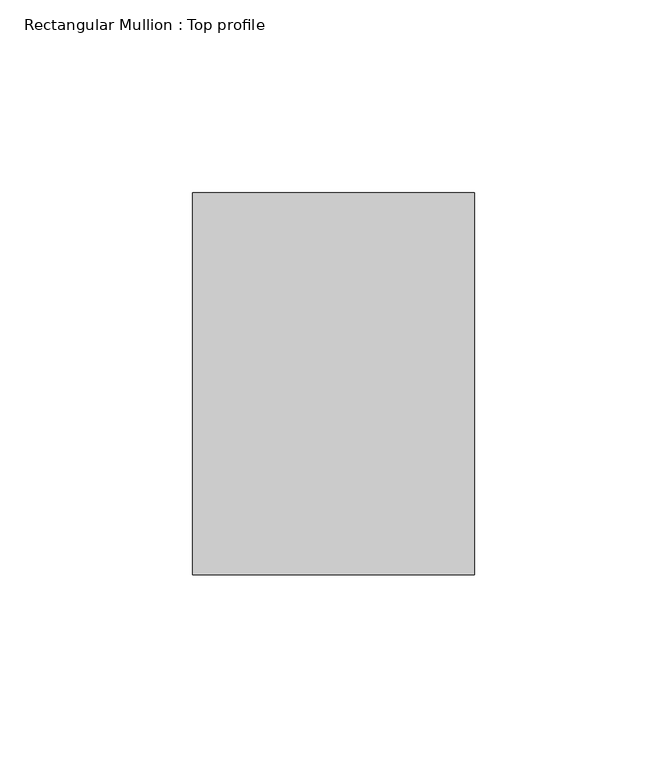
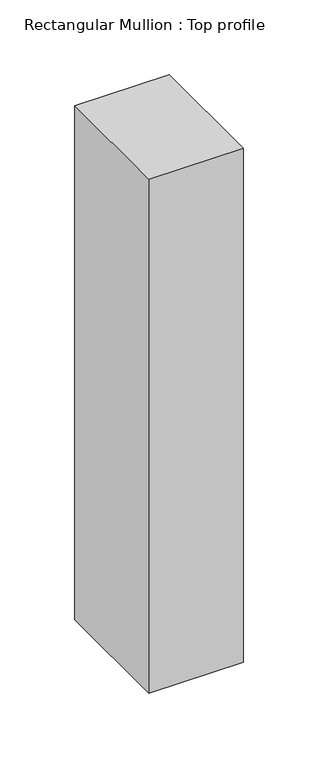
"""IFC4 building model written with IfcOpenShell, lengths in millimetres: member geometry, Rectangular Mullion : Top profile."""

import ifcopenshell
import ifcopenshell.guid

model = None  # the IFC model being written
_history = None  # IfcOwnerHistory: only IFC2X3 demands one
_inside = {}  # id of a spatial element -> (the spatial element, [elements in it])
_under = {}  # id of a project, library or spatial element -> (it, [spatial elements below it])
_declared = {}  # id of a project -> (the project, [libraries it declares])
_typed = {}  # id of a type object -> (the type object, [elements of that type])
_made_of = {}  # id of a material, layer set ... -> (it, [elements and type objects made of it])


def new_model(schema):
    """Start an empty IFC model of exactly this schema.

    Asked for "IFC4X3", IfcOpenShell would pick the latest addendum, in which some entities
    have other attributes; the version numbers below select the first issue.
    IFC2X3 requires an IfcOwnerHistory on every rooted entity: one is made here for all.
    """
    global model, _history
    if schema == "IFC4X3":
        model = ifcopenshell.file(schema_version=(4, 3, 0, 0))
    else:
        model = ifcopenshell.file(schema=schema)
    _inside.clear()
    _under.clear()
    _declared.clear()
    _typed.clear()
    _made_of.clear()
    _history = None
    if model.schema == "IFC2X3":
        org = make("IfcOrganization", Name="unknown")
        user = make(
            "IfcPersonAndOrganization",
            ThePerson=make("IfcPerson", FamilyName="unknown"),
            TheOrganization=org,
        )
        app = make(
            "IfcApplication",
            ApplicationDeveloper=org,
            Version="unknown",
            ApplicationFullName="unknown",
            ApplicationIdentifier="unknown",
        )
        _history = make(
            "IfcOwnerHistory",
            OwningUser=user,
            OwningApplication=app,
            ChangeAction="ADDED",
            CreationDate=0,
        )
    return model


def make(cls, **values):
    """One entity of the class cls with the attributes given. An attribute that is None is left unset."""
    return model.create_entity(
        cls, **{name: value for name, value in values.items() if value is not None}
    )


def rooted(cls, **values):
    """An entity with a GlobalId (a new one), such as an element, a storey or a relation."""
    return make(cls, GlobalId=ifcopenshell.guid.new(), OwnerHistory=_history, **values)


def si_unit(unit_type, name, prefix=None):
    """IfcSIUnit, for example si_unit("LENGTHUNIT", "METRE", prefix="MILLI")."""
    return make("IfcSIUnit", UnitType=unit_type, Prefix=prefix, Name=name)


def assignment(units):
    """IfcUnitAssignment: the units of a project."""
    return None if units is None else make("IfcUnitAssignment", Units=units)


def point(xyz):
    """IfcCartesianPoint."""
    return None if xyz is None else make("IfcCartesianPoint", Coordinates=xyz)


def direction(xyz):
    """IfcDirection."""
    return None if xyz is None else make("IfcDirection", DirectionRatios=xyz)


def frame(location, z_axis=None, x_axis=None):
    """IfcAxis2Placement3D, a coordinate frame: its origin and axes. An axis left out is left unset."""
    return make(
        "IfcAxis2Placement3D",
        Location=point(location),
        Axis=direction(z_axis),
        RefDirection=direction(x_axis),
    )


def origin():
    """The frame at (0, 0, 0) with its axes left unset."""
    return frame((0.0, 0.0, 0.0))


def place(relative_to, where):
    """IfcLocalPlacement: puts the frame where relative to a parent placement (None: the world)."""
    return make(
        "IfcLocalPlacement", PlacementRelTo=relative_to, RelativePlacement=where
    )


def context(
    kind, dimensions, precision=None, world=None, true_north=None, identifier=None
):
    """IfcGeometricRepresentationContext, for example the 3D "Model" context."""
    return make(
        "IfcGeometricRepresentationContext",
        ContextIdentifier=identifier,
        ContextType=kind,
        CoordinateSpaceDimension=dimensions,
        Precision=precision,
        WorldCoordinateSystem=world,
        TrueNorth=true_north,
    )


def project(units=None, contexts=None):
    """IfcProject with its units and contexts."""
    return rooted(
        "IfcProject",
        Name="project",
        RepresentationContexts=contexts,
        UnitsInContext=assignment(units),
    )


def spatial(cls, under=None, at=None, **own):
    """A site, building, storey or space (cls), placed at a placement, below another one or the project."""
    s = rooted(cls, ObjectPlacement=at, **own)
    if under is not None:
        _under.setdefault(under.id(), (under, []))[1].append(s)
    return s


def polyline(points):
    """IfcPolyline through the points."""
    return make("IfcPolyline", Points=[point(p) for p in points])


def outline(outer, holes=None, kind="AREA"):
    """IfcArbitraryClosedProfileDef: a profile drawn as a closed curve; with holes, ...WithVoids."""
    if holes is None:
        return make("IfcArbitraryClosedProfileDef", ProfileType=kind, OuterCurve=outer)
    return make(
        "IfcArbitraryProfileDefWithVoids",
        ProfileType=kind,
        OuterCurve=outer,
        InnerCurves=holes,
    )


def extrude(swept, where, along, depth):
    """IfcExtrudedAreaSolid: the profile swept, set in the frame where, extruded along a direction by depth."""
    return make(
        "IfcExtrudedAreaSolid",
        SweptArea=swept,
        Position=where,
        ExtrudedDirection=direction(along),
        Depth=depth,
    )


def shape(context_of_items, identifier, shape_type, items):
    """IfcShapeRepresentation: the items that make up one representation, for example the "Body"."""
    return make(
        "IfcShapeRepresentation",
        ContextOfItems=context_of_items,
        RepresentationIdentifier=identifier,
        RepresentationType=shape_type,
        Items=items,
    )


def source(mapping_origin, context_of_items, identifier, shape_type, items):
    """IfcRepresentationMap: a shape defined once, which mapped items show again and again."""
    return make(
        "IfcRepresentationMap",
        MappingOrigin=mapping_origin,
        MappedRepresentation=shape(context_of_items, identifier, shape_type, items),
    )


def transform(
    local_origin,
    x_axis=None,
    y_axis=None,
    z_axis=None,
    scale=None,
    scale2=None,
    scale3=None,
    uniform=True,
):
    """IfcCartesianTransformationOperator3D, or its non-uniform kind. x_axis, y_axis, z_axis: its Axis1, 2, 3."""
    if uniform:
        return make(
            "IfcCartesianTransformationOperator3D",
            Axis1=direction(x_axis),
            Axis2=direction(y_axis),
            LocalOrigin=point(local_origin),
            Scale=scale,
            Axis3=direction(z_axis),
        )
    return make(
        "IfcCartesianTransformationOperator3DnonUniform",
        Axis1=direction(x_axis),
        Axis2=direction(y_axis),
        LocalOrigin=point(local_origin),
        Scale=scale,
        Axis3=direction(z_axis),
        Scale2=scale2,
        Scale3=scale3,
    )


def mapped(mapping_source, mapping_target):
    """IfcMappedItem: shows the shape of a source again, moved by a transform."""
    return make(
        "IfcMappedItem", MappingSource=mapping_source, MappingTarget=mapping_target
    )


def made_of(thing, what):
    """Note that an element or type object is made of a material, layer set ...; save() writes the relation."""
    if what is not None:
        _made_of.setdefault(what.id(), (what, []))[1].append(thing)
    return thing


def element(
    cls,
    number,
    at=None,
    inside=None,
    cuts=None,
    type_object=None,
    material=None,
    context=None,
    identifier="Body",
    shape_type=None,
    held_by="IfcProductDefinitionShape",
    body=None,
    shapes=None,
    **own,
):
    """One element of the class cls, such as IfcWall. Its Tag is "e" and its number.

    at: its placement. inside: the storey or other place that contains it. cuts: it is an
    opening in that element (IfcRelVoidsElement). A single representation is given by context,
    identifier, shape_type and body (its items); several are given by shapes. held_by: the class
    of the entity that holds the representations. save() writes the other relations.
    """
    e = rooted(cls, Tag="e%d" % number, ObjectPlacement=at, **own)
    if body is not None:
        shapes = [shape(context, identifier, shape_type, body)]
    if shapes is not None:
        e.Representation = make(held_by, Representations=shapes)
    if inside is not None:
        _inside.setdefault(inside.id(), (inside, []))[1].append(e)
    if cuts is not None:
        rooted(
            "IfcRelVoidsElement", RelatingBuildingElement=cuts, RelatedOpeningElement=e
        )
    if type_object is not None:
        _typed.setdefault(type_object.id(), (type_object, []))[1].append(e)
    return made_of(e, material)


def aggregate(whole, parts):
    """IfcRelAggregates: a whole, such as a stair, and the parts it consists of."""
    return rooted("IfcRelAggregates", RelatingObject=whole, RelatedObjects=parts)


def save(model, path):
    """Write the relations noted so far, then the file.

    IfcRelAggregates (storeys below a building ...), IfcRelContainedInSpatialStructure (elements
    in a storey), IfcRelDefinesByType, IfcRelAssociatesMaterial and IfcRelDeclares: one each for
    every whole, place, type object, material and project.
    """
    for whole, parts in _under.values():
        aggregate(whole, parts)
    for where, things in _inside.values():
        rooted(
            "IfcRelContainedInSpatialStructure",
            RelatedElements=things,
            RelatingStructure=where,
        )
    for kind, things in _typed.values():
        rooted("IfcRelDefinesByType", RelatedObjects=things, RelatingType=kind)
    for what, things in _made_of.values():
        rooted("IfcRelAssociatesMaterial", RelatedObjects=things, RelatingMaterial=what)
    for by, libraries in _declared.values():
        rooted("IfcRelDeclares", RelatingContext=by, RelatedDefinitions=libraries)
    model.write(path)


def rectangular_mullion_top_profile_0f710c9a(model_context):
    return source(origin(), model_context, "Body", "SweptSolid", [
        extrude(outline(polyline([(-73.0, 49.5), (0.0, 49.5), (0.0, -49.5), (-73.0, -49.5), (-73.0, 49.5)])), frame((0.0, 0.0, -420.0), z_axis=(0.0, 0.0, 1.0), x_axis=(1.0, 0.0, 0.0)), (0.0, 0.0, 1.0), 420.0),
    ])


if __name__ == "__main__":
    model = new_model("IFC4")
    model_context = context("Model", 3, world=origin())
    ifc_project = project(units=[si_unit("LENGTHUNIT", "METRE", prefix="MILLI")], contexts=[model_context])
    site = spatial("IfcSite", under=ifc_project)
    building = spatial("IfcBuilding", under=site)
    placement = place(None, origin())
    rectangular_mullion_top_profile_shape = rectangular_mullion_top_profile_0f710c9a(model_context)
    element("IfcMember", 1, ObjectType="Rectangular Mullion : Top profile", at=placement, inside=building, context=model_context, shape_type="MappedRepresentation", body=[
        mapped(rectangular_mullion_top_profile_shape, transform((0.0, 0.0, 0.0), x_axis=(1.0, 0.0, 0.0), y_axis=(0.0, 1.0, 0.0), z_axis=(0.0, 0.0, 1.0))),
    ])
    save(model, "model.ifc")
